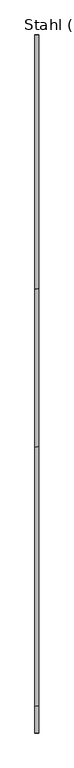
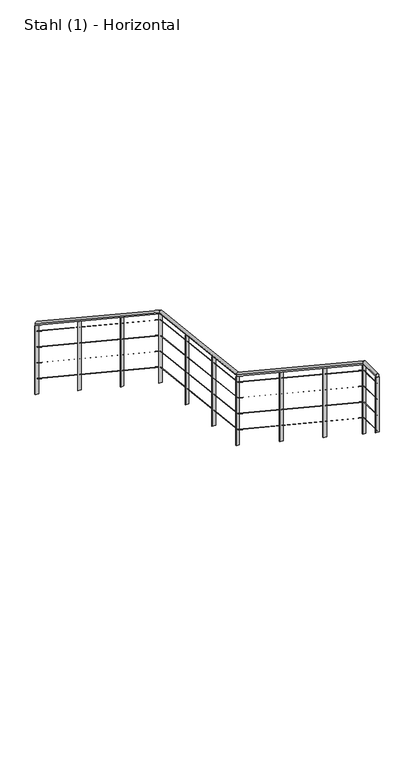
"""IFC4 building model written with IfcOpenShell, lengths in millimetres: railing geometry, Stahl (1) - Horizontal."""

from ifc_helpers import new_model, si_unit, frame, origin, place, context, project, spatial, polyline, circle_curve, ellipse_curve, outline, extrude, source, transform, mapped, element, save
from ifc_brep_helpers import plane_surface, cylinder_surface, advanced_brep


def stahl_1_horizontal_3e50fd0c(model_context):
    return source(origin(), model_context, "Body", "SolidModel", [
        advanced_brep(
        [(34750.7514238, 35324.1830943, 1086.2890973), (34790.7514238, 35324.1830943, 1086.2890973), (34750.7514238, 32751.1980505, 2791.1440522), (34790.7514238, 32751.1980505, 2791.1440522), (34750.7514238, 31151.1980505, 2972.0964332), (34790.7514238, 31151.1980505, 2972.0964332), (34750.7514238, 28529.3488517, 4709.3286835), (34790.7514238, 28529.3488517, 4709.3286835), (34750.7514238, 28262.2783324, 4709.3286835), (34790.7514238, 28262.2783324, 4709.3286835)],
        [
            (0, 1, ellipse_curve(frame((34770.7514238, 35324.1830943, 1086.2890973), z_axis=(0.0, 1.0, 0.0), x_axis=(0.0, 0.0, -1.0)), 23.9919671, 20.0)),
            (1, 0, ellipse_curve(frame((34770.7514238, 35324.1830943, 1086.2890973), z_axis=(0.0, 1.0, 0.0), x_axis=(0.0, 0.0, -1.0)), 23.9919671, 20.0)),
            (0, 2),
            (2, 3, ellipse_curve(frame((34770.7514238, 32751.1980505, 2791.1440522), z_axis=(0.0, 0.9397497898618705, -0.34186303171675386), x_axis=(0.0, -0.34186303171675403, -0.9397497898618703)), 20.5715803, 20.0)),
            (3, 1),
            (3, 2, ellipse_curve(frame((34770.7514238, 32751.1980505, 2791.1440522), z_axis=(0.0, 0.9397497898618705, -0.34186303171675386), x_axis=(0.0, -0.34186303171675403, -0.9397497898618703)), 20.5715803, 20.0)),
            (2, 4),
            (4, 5, ellipse_curve(frame((34770.7514238, 31151.1980505, 2972.0964332), z_axis=(0.0, 0.9397497898618705, -0.34186303171675386), x_axis=(0.0, 0.3418630317167537, 0.9397497898618704)), 20.5715803, 20.0)),
            (5, 3),
            (5, 4, ellipse_curve(frame((34770.7514238, 31151.1980505, 2972.0964332), z_axis=(0.0, 0.9397497898618705, -0.34186303171675386), x_axis=(0.0, 0.3418630317167537, 0.9397497898618704)), 20.5715803, 20.0)),
            (4, 6),
            (6, 7, ellipse_curve(frame((34770.7514238, 28529.3488517, 4709.3286835), z_axis=(0.0, 0.9574999596457314, -0.28843340180780536), x_axis=(0.0, -0.28843340180780597, -0.9574999596457312)), 20.8877293, 20.0)),
            (7, 5),
            (7, 6, ellipse_curve(frame((34770.7514238, 28529.3488517, 4709.3286835), z_axis=(0.0, 0.9574999596457314, -0.28843340180780536), x_axis=(0.0, -0.28843340180780597, -0.9574999596457312)), 20.8877293, 20.0)),
            (8, 9, circle_curve(frame((34770.7514238, 28262.2783324, 4709.3286835), z_axis=(0.0, -1.0, 0.0), x_axis=(1.0, 0.0, 0.0)), 20.0)),
            (9, 8, circle_curve(frame((34770.7514238, 28262.2783324, 4709.3286835), z_axis=(0.0, -1.0, 0.0), x_axis=(1.0, 0.0, 0.0)), 20.0)),
            (6, 8),
            (9, 7),
        ],
        [
            plane_surface(frame((34770.7514238, 35324.1830943, 1110.2810645), z_axis=(0.0, 1.0, 0.0), x_axis=(0.0, 0.0, -1.0))),
            cylinder_surface(frame((34770.7514238, 35313.1360955, 1093.6088176), z_axis=(0.0, 0.8336123454431543, -0.5523499411829093), x_axis=(1.0, 0.0, 0.0)), 20.0),
            cylinder_surface(frame((34770.7514238, 32755.9831368, 2790.6028818), z_axis=(0.0, 0.9936654360374932, -0.11237882907566885), x_axis=(1.0, 0.0, 0.0)), 20.0),
            cylinder_surface(frame((34770.7514238, 31147.1837145, 2974.7563245), z_axis=(0.0, 0.8336123454431542, -0.5523499411829093), x_axis=(1.0, 0.0, 0.0)), 20.0),
            plane_surface(frame((34770.7514238, 28262.2783324, 4729.3286835), z_axis=(0.0, -1.0, 0.0), x_axis=(0.0, 0.0, -1.0))),
            cylinder_surface(frame((34770.7514238, 28535.3735705, 4709.3286835), z_axis=(0.0, 1.0, 0.0), x_axis=(1.0, 0.0, 0.0)), 20.0),
        ],
        [
            (0, [[1, 2]]),
            (1, [[-1, 3, 4, 5]]),
            (1, [[-2, -5, 6, -3]]),
            (2, [[-4, 7, 8, 9]]),
            (2, [[-6, -9, 10, -7]]),
            (3, [[-8, 11, 12, 13]]),
            (3, [[-10, -13, 14, -11]]),
            (4, [[15, 16]]),
            (5, [[-12, 17, -16, 18]]),
            (5, [[-14, -18, -15, -17]]),
        ],
    ),
        advanced_brep(
        [(34769.2514238, 35324.1830943, 988.4816669), (34772.2514238, 35324.1830943, 988.4816669), (34769.2514238, 32757.7032636, 2689.0262801), (34772.2514238, 32757.7032636, 2689.0262801), (34769.2514238, 31157.7032636, 2869.9786611), (34772.2514238, 31157.7032636, 2869.9786611), (34769.2514238, 28534.9217166, 4607.8286835), (34772.2514238, 28534.9217166, 4607.8286835), (34769.2514238, 28262.2783324, 4607.8286835), (34772.2514238, 28262.2783324, 4607.8286835)],
        [
            (0, 1, ellipse_curve(frame((34770.7514238, 35324.1830943, 988.4816669), z_axis=(0.0, 1.0, 0.0), x_axis=(0.0, 0.0, -1.0)), 1.7993975, 1.5)),
            (1, 0, ellipse_curve(frame((34770.7514238, 35324.1830943, 988.4816669), z_axis=(0.0, 1.0, 0.0), x_axis=(0.0, 0.0, -1.0)), 1.7993975, 1.5)),
            (0, 2),
            (2, 3, ellipse_curve(frame((34770.7514238, 32757.7032636, 2689.0262801), z_axis=(0.0, 0.9397497898618704, -0.34186303171675386), x_axis=(0.0, -0.3418630317167534, -0.9397497898618706)), 1.5428685, 1.5)),
            (3, 1),
            (3, 2, ellipse_curve(frame((34770.7514238, 32757.7032636, 2689.0262801), z_axis=(0.0, 0.9397497898618704, -0.34186303171675386), x_axis=(0.0, -0.3418630317167534, -0.9397497898618706)), 1.5428685, 1.5)),
            (2, 4),
            (4, 5, ellipse_curve(frame((34770.7514238, 31157.7032636, 2869.9786611), z_axis=(0.0, 0.9397497898618704, -0.34186303171675386), x_axis=(0.0, 0.34186303171675464, 0.9397497898618702)), 1.5428685, 1.5)),
            (5, 3),
            (5, 4, ellipse_curve(frame((34770.7514238, 31157.7032636, 2869.9786611), z_axis=(0.0, 0.9397497898618704, -0.34186303171675386), x_axis=(0.0, 0.34186303171675464, 0.9397497898618702)), 1.5428685, 1.5)),
            (4, 6),
            (6, 7, ellipse_curve(frame((34770.7514238, 28534.9217166, 4607.8286835), z_axis=(0.0, 0.9574999596457314, -0.28843340180780547), x_axis=(0.0, -0.28843340180780597, -0.9574999596457312)), 1.5665797, 1.5)),
            (7, 5),
            (7, 6, ellipse_curve(frame((34770.7514238, 28534.9217166, 4607.8286835), z_axis=(0.0, 0.9574999596457314, -0.28843340180780547), x_axis=(0.0, -0.28843340180780597, -0.9574999596457312)), 1.5665797, 1.5)),
            (8, 9, circle_curve(frame((34770.7514238, 28262.2783324, 4607.8286835), z_axis=(0.0, -1.0, 0.0), x_axis=(1.0, 0.0, 0.0)), 1.5)),
            (9, 8, circle_curve(frame((34770.7514238, 28262.2783324, 4607.8286835), z_axis=(0.0, -1.0, 0.0), x_axis=(1.0, 0.0, 0.0)), 1.5)),
            (6, 8),
            (9, 7),
        ],
        [
            plane_surface(frame((34770.7514238, 35324.1830943, 990.2810645), z_axis=(0.0, 1.0, 0.0), x_axis=(0.0, 0.0, -1.0))),
            cylinder_surface(frame((34770.7514238, 35323.3545694, 989.030646), z_axis=(0.0, 0.8336123454431542, -0.5523499411829094), x_axis=(1.0, 0.0, 0.0)), 1.5),
            cylinder_surface(frame((34770.7514238, 32758.0621451, 2688.9856923), z_axis=(0.0, 0.9936654360374934, -0.1123788290756688), x_axis=(1.0, 0.0, 0.0)), 1.5),
            cylinder_surface(frame((34770.7514238, 31157.4021884, 2870.1781529), z_axis=(0.0, 0.8336123454431542, -0.5523499411829094), x_axis=(1.0, 0.0, 0.0)), 1.5),
            plane_surface(frame((34770.7514238, 28262.2783324, 4609.3286835), z_axis=(0.0, -1.0, 0.0), x_axis=(0.0, 0.0, -1.0))),
            cylinder_surface(frame((34770.7514238, 28535.3735705, 4607.8286835), z_axis=(0.0, 1.0, 0.0), x_axis=(1.0, 0.0, 0.0)), 1.5),
        ],
        [
            (0, [[1, 2]]),
            (1, [[-1, 3, 4, 5]]),
            (1, [[-2, -5, 6, -3]]),
            (2, [[-4, 7, 8, 9]]),
            (2, [[-6, -9, 10, -7]]),
            (3, [[-8, 11, 12, 13]]),
            (3, [[-10, -13, 14, -11]]),
            (4, [[15, 16]]),
            (5, [[-12, 17, -16, 18]]),
            (5, [[-14, -18, -15, -17]]),
        ],
    ),
        advanced_brep(
        [(34769.2514238, 35324.1830943, 788.4816669), (34772.2514238, 35324.1830943, 788.4816669), (34769.2514238, 32757.7032636, 2489.0262801), (34772.2514238, 32757.7032636, 2489.0262801), (34769.2514238, 31157.7032636, 2669.9786611), (34772.2514238, 31157.7032636, 2669.9786611), (34769.2514238, 28534.9217166, 4407.8286835), (34772.2514238, 28534.9217166, 4407.8286835), (34769.2514238, 28262.2783324, 4407.8286835), (34772.2514238, 28262.2783324, 4407.8286835)],
        [
            (0, 1, ellipse_curve(frame((34770.7514238, 35324.1830943, 788.4816669), z_axis=(0.0, 1.0, 0.0), x_axis=(0.0, 0.0, -1.0)), 1.7993975, 1.5)),
            (1, 0, ellipse_curve(frame((34770.7514238, 35324.1830943, 788.4816669), z_axis=(0.0, 1.0, 0.0), x_axis=(0.0, 0.0, -1.0)), 1.7993975, 1.5)),
            (0, 2),
            (2, 3, ellipse_curve(frame((34770.7514238, 32757.7032636, 2489.0262801), z_axis=(0.0, 0.9397497898618705, -0.34186303171675386), x_axis=(0.0, -0.34186303171675403, -0.9397497898618703)), 1.5428685, 1.5)),
            (3, 1),
            (3, 2, ellipse_curve(frame((34770.7514238, 32757.7032636, 2489.0262801), z_axis=(0.0, 0.9397497898618705, -0.34186303171675386), x_axis=(0.0, -0.34186303171675403, -0.9397497898618703)), 1.5428685, 1.5)),
            (2, 4),
            (4, 5, ellipse_curve(frame((34770.7514238, 31157.7032636, 2669.9786611), z_axis=(0.0, 0.9397497898618705, -0.34186303171675386), x_axis=(0.0, 0.3418630317167537, 0.9397497898618704)), 1.5428685, 1.5)),
            (5, 3),
            (5, 4, ellipse_curve(frame((34770.7514238, 31157.7032636, 2669.9786611), z_axis=(0.0, 0.9397497898618705, -0.34186303171675386), x_axis=(0.0, 0.3418630317167537, 0.9397497898618704)), 1.5428685, 1.5)),
            (4, 6),
            (6, 7, ellipse_curve(frame((34770.7514238, 28534.9217166, 4407.8286835), z_axis=(0.0, 0.9574999596457314, -0.28843340180780536), x_axis=(0.0, -0.28843340180780597, -0.9574999596457312)), 1.5665797, 1.5)),
            (7, 5),
            (7, 6, ellipse_curve(frame((34770.7514238, 28534.9217166, 4407.8286835), z_axis=(0.0, 0.9574999596457314, -0.28843340180780536), x_axis=(0.0, -0.28843340180780597, -0.9574999596457312)), 1.5665797, 1.5)),
            (8, 9, circle_curve(frame((34770.7514238, 28262.2783324, 4407.8286835), z_axis=(0.0, -1.0, 0.0), x_axis=(1.0, 0.0, 0.0)), 1.5)),
            (9, 8, circle_curve(frame((34770.7514238, 28262.2783324, 4407.8286835), z_axis=(0.0, -1.0, 0.0), x_axis=(1.0, 0.0, 0.0)), 1.5)),
            (6, 8),
            (9, 7),
        ],
        [
            plane_surface(frame((34770.7514238, 35324.1830943, 790.2810645), z_axis=(0.0, 1.0, 0.0), x_axis=(0.0, 0.0, -1.0))),
            cylinder_surface(frame((34770.7514238, 35323.3545694, 789.030646), z_axis=(0.0, 0.8336123454431543, -0.5523499411829093), x_axis=(1.0, 0.0, 0.0)), 1.5),
            cylinder_surface(frame((34770.7514238, 32758.0621451, 2488.9856923), z_axis=(0.0, 0.9936654360374932, -0.11237882907566885), x_axis=(1.0, 0.0, 0.0)), 1.5),
            cylinder_surface(frame((34770.7514238, 31157.4021884, 2670.1781529), z_axis=(0.0, 0.8336123454431542, -0.5523499411829093), x_axis=(1.0, 0.0, 0.0)), 1.5),
            plane_surface(frame((34770.7514238, 28262.2783324, 4409.3286835), z_axis=(0.0, -1.0, 0.0), x_axis=(0.0, 0.0, -1.0))),
            cylinder_surface(frame((34770.7514238, 28535.3735705, 4407.8286835), z_axis=(0.0, 1.0, 0.0), x_axis=(1.0, 0.0, 0.0)), 1.5),
        ],
        [
            (0, [[1, 2]]),
            (1, [[-1, 3, 4, 5]]),
            (1, [[-2, -5, 6, -3]]),
            (2, [[-4, 7, 8, 9]]),
            (2, [[-6, -9, 10, -7]]),
            (3, [[-8, 11, 12, 13]]),
            (3, [[-10, -13, 14, -11]]),
            (4, [[15, 16]]),
            (5, [[-12, 17, -16, 18]]),
            (5, [[-14, -18, -15, -17]]),
        ],
    ),
        advanced_brep(
        [(34769.2514238, 35324.1830943, 588.4816669), (34772.2514238, 35324.1830943, 588.4816669), (34769.2514238, 32757.7032636, 2289.0262801), (34772.2514238, 32757.7032636, 2289.0262801), (34769.2514238, 31157.7032636, 2469.9786611), (34772.2514238, 31157.7032636, 2469.9786611), (34769.2514238, 28534.9217166, 4207.8286835), (34772.2514238, 28534.9217166, 4207.8286835), (34769.2514238, 28262.2783324, 4207.8286835), (34772.2514238, 28262.2783324, 4207.8286835)],
        [
            (0, 1, ellipse_curve(frame((34770.7514238, 35324.1830943, 588.4816669), z_axis=(0.0, 1.0, 0.0), x_axis=(0.0, 0.0, -1.0)), 1.7993975, 1.5)),
            (1, 0, ellipse_curve(frame((34770.7514238, 35324.1830943, 588.4816669), z_axis=(0.0, 1.0, 0.0), x_axis=(0.0, 0.0, -1.0)), 1.7993975, 1.5)),
            (0, 2),
            (2, 3, ellipse_curve(frame((34770.7514238, 32757.7032636, 2289.0262801), z_axis=(0.0, 0.9397497898618704, -0.34186303171675386), x_axis=(0.0, -0.3418630317167534, -0.9397497898618706)), 1.5428685, 1.5)),
            (3, 1),
            (3, 2, ellipse_curve(frame((34770.7514238, 32757.7032636, 2289.0262801), z_axis=(0.0, 0.9397497898618704, -0.34186303171675386), x_axis=(0.0, -0.3418630317167534, -0.9397497898618706)), 1.5428685, 1.5)),
            (2, 4),
            (4, 5, ellipse_curve(frame((34770.7514238, 31157.7032636, 2469.9786611), z_axis=(0.0, 0.9397497898618704, -0.34186303171675386), x_axis=(0.0, 0.34186303171675464, 0.9397497898618702)), 1.5428685, 1.5)),
            (5, 3),
            (5, 4, ellipse_curve(frame((34770.7514238, 31157.7032636, 2469.9786611), z_axis=(0.0, 0.9397497898618704, -0.34186303171675386), x_axis=(0.0, 0.34186303171675464, 0.9397497898618702)), 1.5428685, 1.5)),
            (4, 6),
            (6, 7, ellipse_curve(frame((34770.7514238, 28534.9217166, 4207.8286835), z_axis=(0.0, 0.9574999596457314, -0.28843340180780547), x_axis=(0.0, -0.28843340180780597, -0.9574999596457312)), 1.5665797, 1.5)),
            (7, 5),
            (7, 6, ellipse_curve(frame((34770.7514238, 28534.9217166, 4207.8286835), z_axis=(0.0, 0.9574999596457314, -0.28843340180780547), x_axis=(0.0, -0.28843340180780597, -0.9574999596457312)), 1.5665797, 1.5)),
            (8, 9, circle_curve(frame((34770.7514238, 28262.2783324, 4207.8286835), z_axis=(0.0, -1.0, 0.0), x_axis=(1.0, 0.0, 0.0)), 1.5)),
            (9, 8, circle_curve(frame((34770.7514238, 28262.2783324, 4207.8286835), z_axis=(0.0, -1.0, 0.0), x_axis=(1.0, 0.0, 0.0)), 1.5)),
            (6, 8),
            (9, 7),
        ],
        [
            plane_surface(frame((34770.7514238, 35324.1830943, 590.2810645), z_axis=(0.0, 1.0, 0.0), x_axis=(0.0, 0.0, -1.0))),
            cylinder_surface(frame((34770.7514238, 35323.3545694, 589.030646), z_axis=(0.0, 0.8336123454431542, -0.5523499411829094), x_axis=(1.0, 0.0, 0.0)), 1.5),
            cylinder_surface(frame((34770.7514238, 32758.0621451, 2288.9856923), z_axis=(0.0, 0.9936654360374934, -0.1123788290756688), x_axis=(1.0, 0.0, 0.0)), 1.5),
            cylinder_surface(frame((34770.7514238, 31157.4021884, 2470.1781529), z_axis=(0.0, 0.8336123454431542, -0.5523499411829094), x_axis=(1.0, 0.0, 0.0)), 1.5),
            plane_surface(frame((34770.7514238, 28262.2783324, 4209.3286835), z_axis=(0.0, -1.0, 0.0), x_axis=(0.0, 0.0, -1.0))),
            cylinder_surface(frame((34770.7514238, 28535.3735705, 4207.8286835), z_axis=(0.0, 1.0, 0.0), x_axis=(1.0, 0.0, 0.0)), 1.5),
        ],
        [
            (0, [[1, 2]]),
            (1, [[-1, 3, 4, 5]]),
            (1, [[-2, -5, 6, -3]]),
            (2, [[-4, 7, 8, 9]]),
            (2, [[-6, -9, 10, -7]]),
            (3, [[-8, 11, 12, 13]]),
            (3, [[-10, -13, 14, -11]]),
            (4, [[15, 16]]),
            (5, [[-12, 17, -16, 18]]),
            (5, [[-14, -18, -15, -17]]),
        ],
    ),
        advanced_brep(
        [(34769.2514238, 35324.1830943, 388.4816669), (34772.2514238, 35324.1830943, 388.4816669), (34769.2514238, 32757.7032636, 2089.0262801), (34772.2514238, 32757.7032636, 2089.0262801), (34769.2514238, 31157.7032636, 2269.9786611), (34772.2514238, 31157.7032636, 2269.9786611), (34769.2514238, 28534.9217166, 4007.8286835), (34772.2514238, 28534.9217166, 4007.8286835), (34769.2514238, 28262.2783324, 4007.8286835), (34772.2514238, 28262.2783324, 4007.8286835)],
        [
            (0, 1, ellipse_curve(frame((34770.7514238, 35324.1830943, 388.4816669), z_axis=(0.0, 1.0, 0.0), x_axis=(0.0, 0.0, -1.0)), 1.7993975, 1.5)),
            (1, 0, ellipse_curve(frame((34770.7514238, 35324.1830943, 388.4816669), z_axis=(0.0, 1.0, 0.0), x_axis=(0.0, 0.0, -1.0)), 1.7993975, 1.5)),
            (0, 2),
            (2, 3, ellipse_curve(frame((34770.7514238, 32757.7032636, 2089.0262801), z_axis=(0.0, 0.9397497898618704, -0.34186303171675386), x_axis=(0.0, -0.3418630317167534, -0.9397497898618706)), 1.5428685, 1.5)),
            (3, 1),
            (3, 2, ellipse_curve(frame((34770.7514238, 32757.7032636, 2089.0262801), z_axis=(0.0, 0.9397497898618704, -0.34186303171675386), x_axis=(0.0, -0.3418630317167534, -0.9397497898618706)), 1.5428685, 1.5)),
            (2, 4),
            (4, 5, ellipse_curve(frame((34770.7514238, 31157.7032636, 2269.9786611), z_axis=(0.0, 0.9397497898618704, -0.34186303171675386), x_axis=(0.0, 0.34186303171675464, 0.9397497898618702)), 1.5428685, 1.5)),
            (5, 3),
            (5, 4, ellipse_curve(frame((34770.7514238, 31157.7032636, 2269.9786611), z_axis=(0.0, 0.9397497898618704, -0.34186303171675386), x_axis=(0.0, 0.34186303171675464, 0.9397497898618702)), 1.5428685, 1.5)),
            (4, 6),
            (6, 7, ellipse_curve(frame((34770.7514238, 28534.9217166, 4007.8286835), z_axis=(0.0, 0.9574999596457314, -0.28843340180780547), x_axis=(0.0, -0.28843340180780597, -0.9574999596457312)), 1.5665797, 1.5)),
            (7, 5),
            (7, 6, ellipse_curve(frame((34770.7514238, 28534.9217166, 4007.8286835), z_axis=(0.0, 0.9574999596457314, -0.28843340180780547), x_axis=(0.0, -0.28843340180780597, -0.9574999596457312)), 1.5665797, 1.5)),
            (8, 9, circle_curve(frame((34770.7514238, 28262.2783324, 4007.8286835), z_axis=(0.0, -1.0, 0.0), x_axis=(1.0, 0.0, 0.0)), 1.5)),
            (9, 8, circle_curve(frame((34770.7514238, 28262.2783324, 4007.8286835), z_axis=(0.0, -1.0, 0.0), x_axis=(1.0, 0.0, 0.0)), 1.5)),
            (6, 8),
            (9, 7),
        ],
        [
            plane_surface(frame((34770.7514238, 35324.1830943, 390.2810645), z_axis=(0.0, 1.0, 0.0), x_axis=(0.0, 0.0, -1.0))),
            cylinder_surface(frame((34770.7514238, 35323.3545694, 389.030646), z_axis=(0.0, 0.8336123454431542, -0.5523499411829094), x_axis=(1.0, 0.0, 0.0)), 1.5),
            cylinder_surface(frame((34770.7514238, 32758.0621451, 2088.9856923), z_axis=(0.0, 0.9936654360374934, -0.1123788290756688), x_axis=(1.0, 0.0, 0.0)), 1.5),
            cylinder_surface(frame((34770.7514238, 31157.4021884, 2270.1781529), z_axis=(0.0, 0.8336123454431542, -0.5523499411829094), x_axis=(1.0, 0.0, 0.0)), 1.5),
            plane_surface(frame((34770.7514238, 28262.2783324, 4009.3286835), z_axis=(0.0, -1.0, 0.0), x_axis=(0.0, 0.0, -1.0))),
            cylinder_surface(frame((34770.7514238, 28535.3735705, 4007.8286835), z_axis=(0.0, 1.0, 0.0), x_axis=(1.0, 0.0, 0.0)), 1.5),
        ],
        [
            (0, [[1, 2]]),
            (1, [[-1, 3, 4, 5]]),
            (1, [[-2, -5, 6, -3]]),
            (2, [[-4, 7, 8, 9]]),
            (2, [[-6, -9, 10, -7]]),
            (3, [[-8, 11, 12, 13]]),
            (3, [[-10, -13, 14, -11]]),
            (4, [[15, 16]]),
            (5, [[-12, 17, -16, 18]]),
            (5, [[-14, -18, -15, -17]]),
        ],
    ),
        extrude(outline(polyline([(29353.3637183, 3269.9803729), (29345.3637183, 3269.9803729), (29345.3637183, 4144.6468309), (29353.3637183, 4139.3460463), (29353.3637183, 3269.9803729)])), frame((34750.7514238, 0.0, 0.0), z_axis=(1.0, 0.0, 0.0), x_axis=(0.0, 1.0, 0.0)), (0.0, 0.0, 1.0), 40.0),
        extrude(outline(polyline([(30257.7972158, 2670.7044722), (30249.7972158, 2670.7044722), (30249.7972158, 3545.3709302), (30257.7972158, 3540.0701455), (30257.7972158, 2670.7044722)])), frame((34750.7514238, 0.0, 0.0), z_axis=(1.0, 0.0, 0.0), x_axis=(0.0, 1.0, 0.0)), (0.0, 0.0, 1.0), 40.0),
        extrude(outline(polyline([(31658.7824375, 2015.270936), (31650.7824375, 2015.270936), (31650.7824375, 2895.4683191), (31658.7824375, 2894.5635571), (31658.7824375, 2015.270936)])), frame((34750.7514238, 0.0, 0.0), z_axis=(1.0, 0.0, 0.0), x_axis=(0.0, 1.0, 0.0)), (0.0, 0.0, 1.0), 40.0),
        extrude(outline(polyline([(32210.5065754, 1952.8735632), (32202.5065754, 1952.8735632), (32202.5065754, 2833.0709463), (32210.5065754, 2832.1661844), (32210.5065754, 1952.8735632)])), frame((34750.7514238, 0.0, 0.0), z_axis=(1.0, 0.0, 0.0), x_axis=(0.0, 1.0, 0.0)), (0.0, 0.0, 1.0), 40.0),
        extrude(outline(polyline([(33558.5607626, 1362.8294272), (33550.5607626, 1362.8294272), (33550.5607626, 2237.4958853), (33558.5607626, 2232.1951006), (33558.5607626, 1362.8294272)])), frame((34750.7514238, 0.0, 0.0), z_axis=(1.0, 0.0, 0.0), x_axis=(0.0, 1.0, 0.0)), (0.0, 0.0, 1.0), 40.0),
        extrude(outline(polyline([(34443.3719285, 776.5552459), (34435.3719285, 776.5552459), (34435.3719285, 1651.2217039), (34443.3719285, 1645.9209192), (34443.3719285, 776.5552459)])), frame((34750.7514238, 0.0, 0.0), z_axis=(1.0, 0.0, 0.0), x_axis=(0.0, 1.0, 0.0)), (0.0, 0.0, 1.0), 40.0),
        extrude(outline(polyline([(28539.3735705, 3809.3286835), (28531.3735705, 3809.3286835), (28531.3735705, 4683.9951416), (28539.3735705, 4678.6943569), (28539.3735705, 3809.3286835)])), frame((34750.7514238, 0.0, 0.0), z_axis=(1.0, 0.0, 0.0), x_axis=(0.0, 1.0, 0.0)), (0.0, 0.0, 1.0), 40.0),
        extrude(outline(polyline([(31162.2307134, 2071.4285714), (31154.2307134, 2071.4285714), (31154.2307134, 2946.0950295), (31162.2307134, 2940.7942448), (31162.2307134, 2071.4285714)])), frame((34750.7514238, 0.0, 0.0), z_axis=(1.0, 0.0, 0.0), x_axis=(0.0, 1.0, 0.0)), (0.0, 0.0, 1.0), 40.0),
        extrude(outline(polyline([(32762.2307134, 1890.4761905), (32754.2307134, 1890.4761905), (32754.2307134, 2770.6735736), (32762.2307134, 2769.7688117), (32762.2307134, 1890.4761905)])), frame((34750.7514238, 0.0, 0.0), z_axis=(1.0, 0.0, 0.0), x_axis=(0.0, 1.0, 0.0)), (0.0, 0.0, 1.0), 40.0),
        extrude(outline(polyline([(34790.7514238, 28266.2783324), (34790.7514238, 28258.2783324), (34750.7514238, 28258.2783324), (34750.7514238, 28266.2783324), (34790.7514238, 28266.2783324)])), frame((0.0, 0.0, 3990.2810645), z_axis=(0.0, 0.0, 1.0), x_axis=(1.0, 0.0, 0.0)), (0.0, 0.0, 1.0), 699.047619),
        extrude(outline(polyline([(35328.1830943, 190.2810645), (35320.1830943, 190.2810645), (35320.1830943, 1064.9475225), (35328.1830943, 1059.6467379), (35328.1830943, 190.2810645)])), frame((34750.7514238, 0.0, 0.0), z_axis=(1.0, 0.0, 0.0), x_axis=(0.0, 1.0, 0.0)), (0.0, 0.0, 1.0), 40.0),
    ])


if __name__ == "__main__":
    model = new_model("IFC4")
    model_context = context("Model", 3, world=origin())
    ifc_project = project(units=[si_unit("LENGTHUNIT", "METRE", prefix="MILLI")], contexts=[model_context])
    site = spatial("IfcSite", under=ifc_project)
    building = spatial("IfcBuilding", under=site)
    placement = place(None, origin())
    stahl_1_horizontal_shape = stahl_1_horizontal_3e50fd0c(model_context)
    element("IfcRailing", 1, ObjectType="Stahl (1) - Horizontal", at=placement, inside=building, context=model_context, shape_type="MappedRepresentation", body=[
        mapped(stahl_1_horizontal_shape, transform((0.0, 0.0, 0.0), x_axis=(1.0, 0.0, 0.0), y_axis=(0.0, 1.0, 0.0), z_axis=(0.0, 0.0, 1.0))),
    ])
    save(model, "model.ifc")
